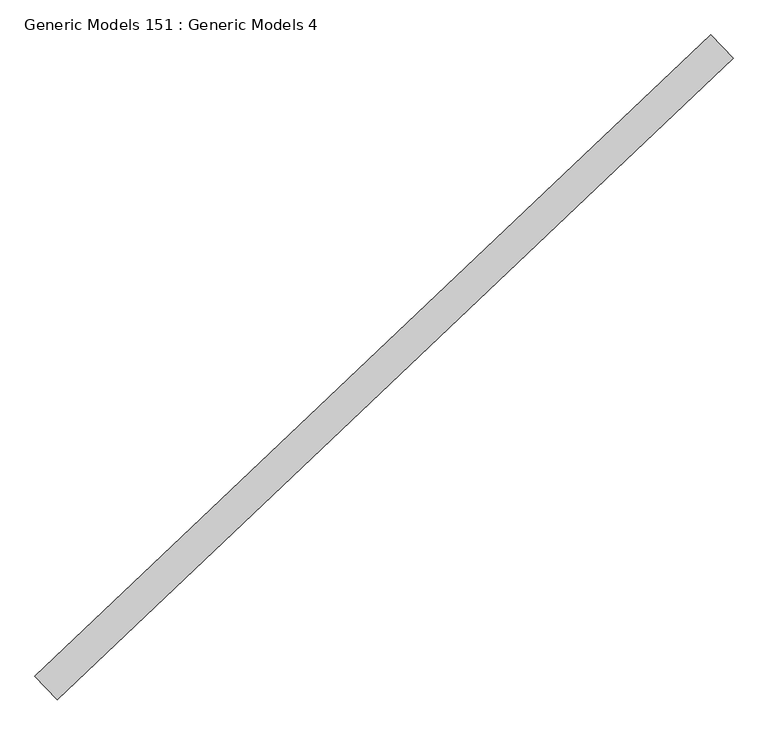
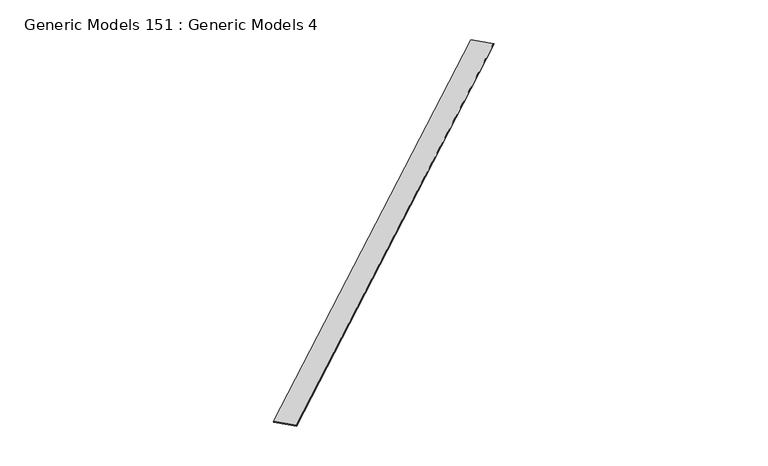
"""IFC4 building model written with IfcOpenShell, lengths in millimetres: proxy geometry, Generic Models 151 : Generic Models 4."""

from ifc_helpers import new_model, si_unit, frame, origin, place, context, project, spatial, polyline, outline, extrude, source, transform, mapped, element, save


def generic_models_151_generic_models_4_e2a7500f(model_context):
    return source(origin(), model_context, "Body", "SweptSolid", [
        extrude(outline(polyline([(19.05, 0.0), (19.05, -609.6), (0.0, -609.6), (0.0, 0.0), (6.35, 0.0), (6.35, -12.7), (9.525, -12.7), (9.525, 0.0), (19.05, 0.0)])), frame((95435.8749258, 49179.4677711, 16581.5378202), z_axis=(0.725374371012385, 0.6883545756936514, 0.0), x_axis=(0.0, 0.0, 1.0)), (0.0, 0.0, 1.0), 17560.925),
    ])


if __name__ == "__main__":
    model = new_model("IFC4")
    model_context = context("Model", 3, world=origin())
    ifc_project = project(units=[si_unit("LENGTHUNIT", "METRE", prefix="MILLI")], contexts=[model_context])
    site = spatial("IfcSite", under=ifc_project)
    building = spatial("IfcBuilding", under=site)
    placement = place(None, origin())
    generic_models_151_generic_models_4_shape = generic_models_151_generic_models_4_e2a7500f(model_context)
    element("IfcBuildingElementProxy", 1, Name="Generic Models 151 : Generic Models 4", ObjectType="Generic Models 151 : Generic Models 4", at=placement, inside=building, context=model_context, shape_type="MappedRepresentation", body=[
        mapped(generic_models_151_generic_models_4_shape, transform((0.0, 0.0, 0.0), x_axis=(1.0, 0.0, 0.0), y_axis=(0.0, 1.0, 0.0), z_axis=(0.0, 0.0, 1.0))),
    ])
    save(model, "model.ifc")
